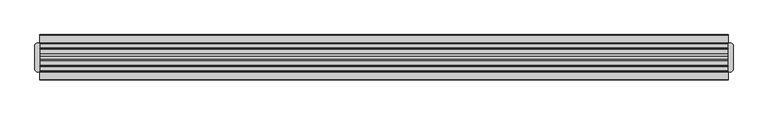
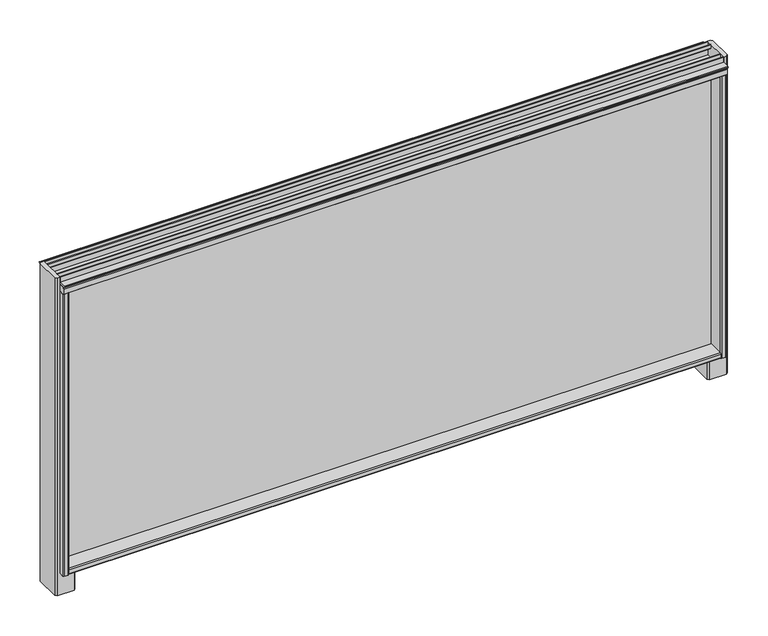
"""IFC4 building model written with IfcOpenShell, lengths in millimetres: furniture geometry."""

import ifcopenshell
import ifcopenshell.guid

model = None  # the IFC model being written
_history = None  # IfcOwnerHistory: only IFC2X3 demands one
_inside = {}  # id of a spatial element -> (the spatial element, [elements in it])
_under = {}  # id of a project, library or spatial element -> (it, [spatial elements below it])
_declared = {}  # id of a project -> (the project, [libraries it declares])
_typed = {}  # id of a type object -> (the type object, [elements of that type])
_made_of = {}  # id of a material, layer set ... -> (it, [elements and type objects made of it])


def new_model(schema):
    """Start an empty IFC model of exactly this schema.

    Asked for "IFC4X3", IfcOpenShell would pick the latest addendum, in which some entities
    have other attributes; the version numbers below select the first issue.
    IFC2X3 requires an IfcOwnerHistory on every rooted entity: one is made here for all.
    """
    global model, _history
    if schema == "IFC4X3":
        model = ifcopenshell.file(schema_version=(4, 3, 0, 0))
    else:
        model = ifcopenshell.file(schema=schema)
    _inside.clear()
    _under.clear()
    _declared.clear()
    _typed.clear()
    _made_of.clear()
    _history = None
    if model.schema == "IFC2X3":
        org = make("IfcOrganization", Name="unknown")
        user = make(
            "IfcPersonAndOrganization",
            ThePerson=make("IfcPerson", FamilyName="unknown"),
            TheOrganization=org,
        )
        app = make(
            "IfcApplication",
            ApplicationDeveloper=org,
            Version="unknown",
            ApplicationFullName="unknown",
            ApplicationIdentifier="unknown",
        )
        _history = make(
            "IfcOwnerHistory",
            OwningUser=user,
            OwningApplication=app,
            ChangeAction="ADDED",
            CreationDate=0,
        )
    return model


def make(cls, **values):
    """One entity of the class cls with the attributes given. An attribute that is None is left unset."""
    return model.create_entity(
        cls, **{name: value for name, value in values.items() if value is not None}
    )


def rooted(cls, **values):
    """An entity with a GlobalId (a new one), such as an element, a storey or a relation."""
    return make(cls, GlobalId=ifcopenshell.guid.new(), OwnerHistory=_history, **values)


def si_unit(unit_type, name, prefix=None):
    """IfcSIUnit, for example si_unit("LENGTHUNIT", "METRE", prefix="MILLI")."""
    return make("IfcSIUnit", UnitType=unit_type, Prefix=prefix, Name=name)


def assignment(units):
    """IfcUnitAssignment: the units of a project."""
    return None if units is None else make("IfcUnitAssignment", Units=units)


def point(xyz):
    """IfcCartesianPoint."""
    return None if xyz is None else make("IfcCartesianPoint", Coordinates=xyz)


def direction(xyz):
    """IfcDirection."""
    return None if xyz is None else make("IfcDirection", DirectionRatios=xyz)


def frame(location, z_axis=None, x_axis=None):
    """IfcAxis2Placement3D, a coordinate frame: its origin and axes. An axis left out is left unset."""
    return make(
        "IfcAxis2Placement3D",
        Location=point(location),
        Axis=direction(z_axis),
        RefDirection=direction(x_axis),
    )


def origin():
    """The frame at (0, 0, 0) with its axes left unset."""
    return frame((0.0, 0.0, 0.0))


def place(relative_to, where):
    """IfcLocalPlacement: puts the frame where relative to a parent placement (None: the world)."""
    return make(
        "IfcLocalPlacement", PlacementRelTo=relative_to, RelativePlacement=where
    )


def context(
    kind, dimensions, precision=None, world=None, true_north=None, identifier=None
):
    """IfcGeometricRepresentationContext, for example the 3D "Model" context."""
    return make(
        "IfcGeometricRepresentationContext",
        ContextIdentifier=identifier,
        ContextType=kind,
        CoordinateSpaceDimension=dimensions,
        Precision=precision,
        WorldCoordinateSystem=world,
        TrueNorth=true_north,
    )


def project(units=None, contexts=None):
    """IfcProject with its units and contexts."""
    return rooted(
        "IfcProject",
        Name="project",
        RepresentationContexts=contexts,
        UnitsInContext=assignment(units),
    )


def spatial(cls, under=None, at=None, **own):
    """A site, building, storey or space (cls), placed at a placement, below another one or the project."""
    s = rooted(cls, ObjectPlacement=at, **own)
    if under is not None:
        _under.setdefault(under.id(), (under, []))[1].append(s)
    return s


def polyline(points):
    """IfcPolyline through the points."""
    return make("IfcPolyline", Points=[point(p) for p in points])


def outline(outer, holes=None, kind="AREA"):
    """IfcArbitraryClosedProfileDef: a profile drawn as a closed curve; with holes, ...WithVoids."""
    if holes is None:
        return make("IfcArbitraryClosedProfileDef", ProfileType=kind, OuterCurve=outer)
    return make(
        "IfcArbitraryProfileDefWithVoids",
        ProfileType=kind,
        OuterCurve=outer,
        InnerCurves=holes,
    )


def extrude(swept, where, along, depth):
    """IfcExtrudedAreaSolid: the profile swept, set in the frame where, extruded along a direction by depth."""
    return make(
        "IfcExtrudedAreaSolid",
        SweptArea=swept,
        Position=where,
        ExtrudedDirection=direction(along),
        Depth=depth,
    )


def faces_of(points, faces, orient=None, outer=None):
    """IfcFace entities. A face is a list of loops; a loop is a list of indices into points, from 0.

    orient and outer hold one flag for each loop. By default every Orientation is true, the
    first loop of a face is its IfcFaceOuterBound and the others are IfcFaceBound.
    """
    made = []
    for i, loops in enumerate(faces):
        bounds = []
        for j, loop in enumerate(loops):
            is_outer = j == 0 if outer is None else outer[i][j]
            bounds.append(
                make(
                    "IfcFaceOuterBound" if is_outer else "IfcFaceBound",
                    Bound=make("IfcPolyLoop", Polygon=[points[k] for k in loop]),
                    Orientation=True if orient is None else orient[i][j],
                )
            )
        made.append(make("IfcFace", Bounds=bounds))
    return made


def faceted_brep(points, faces, orient=None, outer=None, voids=None):
    """IfcFacetedBrep: a solid bounded by flat faces; with voids (closed shells), ...WithVoids."""
    shared = [point(p) for p in points]
    hull = make("IfcClosedShell", CfsFaces=faces_of(shared, faces, orient, outer))
    if voids is None:
        return make("IfcFacetedBrep", Outer=hull)
    return make(
        "IfcFacetedBrepWithVoids",
        Outer=hull,
        Voids=[
            make(cls, CfsFaces=faces_of(shared, fs, o, b)) for cls, fs, o, b in voids
        ],
    )


def shape(context_of_items, identifier, shape_type, items):
    """IfcShapeRepresentation: the items that make up one representation, for example the "Body"."""
    return make(
        "IfcShapeRepresentation",
        ContextOfItems=context_of_items,
        RepresentationIdentifier=identifier,
        RepresentationType=shape_type,
        Items=items,
    )


def source(mapping_origin, context_of_items, identifier, shape_type, items):
    """IfcRepresentationMap: a shape defined once, which mapped items show again and again."""
    return make(
        "IfcRepresentationMap",
        MappingOrigin=mapping_origin,
        MappedRepresentation=shape(context_of_items, identifier, shape_type, items),
    )


def transform(
    local_origin,
    x_axis=None,
    y_axis=None,
    z_axis=None,
    scale=None,
    scale2=None,
    scale3=None,
    uniform=True,
):
    """IfcCartesianTransformationOperator3D, or its non-uniform kind. x_axis, y_axis, z_axis: its Axis1, 2, 3."""
    if uniform:
        return make(
            "IfcCartesianTransformationOperator3D",
            Axis1=direction(x_axis),
            Axis2=direction(y_axis),
            LocalOrigin=point(local_origin),
            Scale=scale,
            Axis3=direction(z_axis),
        )
    return make(
        "IfcCartesianTransformationOperator3DnonUniform",
        Axis1=direction(x_axis),
        Axis2=direction(y_axis),
        LocalOrigin=point(local_origin),
        Scale=scale,
        Axis3=direction(z_axis),
        Scale2=scale2,
        Scale3=scale3,
    )


def mapped(mapping_source, mapping_target):
    """IfcMappedItem: shows the shape of a source again, moved by a transform."""
    return make(
        "IfcMappedItem", MappingSource=mapping_source, MappingTarget=mapping_target
    )


def made_of(thing, what):
    """Note that an element or type object is made of a material, layer set ...; save() writes the relation."""
    if what is not None:
        _made_of.setdefault(what.id(), (what, []))[1].append(thing)
    return thing


def element(
    cls,
    number,
    at=None,
    inside=None,
    cuts=None,
    type_object=None,
    material=None,
    context=None,
    identifier="Body",
    shape_type=None,
    held_by="IfcProductDefinitionShape",
    body=None,
    shapes=None,
    **own,
):
    """One element of the class cls, such as IfcWall. Its Tag is "e" and its number.

    at: its placement. inside: the storey or other place that contains it. cuts: it is an
    opening in that element (IfcRelVoidsElement). A single representation is given by context,
    identifier, shape_type and body (its items); several are given by shapes. held_by: the class
    of the entity that holds the representations. save() writes the other relations.
    """
    e = rooted(cls, Tag="e%d" % number, ObjectPlacement=at, **own)
    if body is not None:
        shapes = [shape(context, identifier, shape_type, body)]
    if shapes is not None:
        e.Representation = make(held_by, Representations=shapes)
    if inside is not None:
        _inside.setdefault(inside.id(), (inside, []))[1].append(e)
    if cuts is not None:
        rooted(
            "IfcRelVoidsElement", RelatingBuildingElement=cuts, RelatedOpeningElement=e
        )
    if type_object is not None:
        _typed.setdefault(type_object.id(), (type_object, []))[1].append(e)
    return made_of(e, material)


def aggregate(whole, parts):
    """IfcRelAggregates: a whole, such as a stair, and the parts it consists of."""
    return rooted("IfcRelAggregates", RelatingObject=whole, RelatedObjects=parts)


def save(model, path):
    """Write the relations noted so far, then the file.

    IfcRelAggregates (storeys below a building ...), IfcRelContainedInSpatialStructure (elements
    in a storey), IfcRelDefinesByType, IfcRelAssociatesMaterial and IfcRelDeclares: one each for
    every whole, place, type object, material and project.
    """
    for whole, parts in _under.values():
        aggregate(whole, parts)
    for where, things in _inside.values():
        rooted(
            "IfcRelContainedInSpatialStructure",
            RelatedElements=things,
            RelatingStructure=where,
        )
    for kind, things in _typed.values():
        rooted("IfcRelDefinesByType", RelatedObjects=things, RelatingType=kind)
    for what, things in _made_of.values():
        rooted("IfcRelAssociatesMaterial", RelatedObjects=things, RelatingMaterial=what)
    for by, libraries in _declared.values():
        rooted("IfcRelDeclares", RelatingContext=by, RelatedDefinitions=libraries)
    model.write(path)


def furniture_85aad2e1(model_context):
    return source(origin(), model_context, "Body", "SolidModel", [
        extrude(outline(polyline([(-27.0409102, 1596.1763357), (-40.5028792, 1596.1763357), (-41.2648967, 1598.5892698), (-40.5028792, 1599.3512873), (-27.0409102, 1599.3512873), (-27.0409102, 1596.1763357)])), frame((-840.427047, 0.0, 0.0), z_axis=(1.0, 0.0, 0.0), x_axis=(0.0, 1.0, 0.0)), (0.0, 0.0, 1.0), 1203.0787647),
        extrude(outline(polyline([(23.7590898, 1596.1763357), (23.7590898, 1599.3512873), (37.2212041, 1599.3512873), (37.9830762, 1598.5892698), (37.2212041, 1596.1763357), (23.7590898, 1596.1763357)])), frame((-840.427047, 0.0, 0.0), z_axis=(1.0, 0.0, 0.0), x_axis=(0.0, 1.0, 0.0)), (0.0, 0.0, 1.0), 1203.0787647),
        faceted_brep([(351.7297099, -35.7961223, 1052.3115191), (351.7297099, -37.5819335, 1050.5335752), (351.7297099, -37.5819335, 1043.1676004), (351.7297099, -35.7961223, 1041.4), (351.7297099, 32.5143503, 1041.4), (351.7297099, 34.300113, 1043.1676004), (351.7297099, 34.300113, 1050.5335752), (351.7297099, 32.5143503, 1052.3115191), (351.7297099, 4.2011266, 1052.3115191), (351.7297099, 2.1691285, 1050.5335752), (351.7297099, 2.1691285, 1045.3264803), (351.7297099, 0.3911847, 1043.5485365), (351.7297099, -3.6728114, 1043.5485365), (351.7297099, -5.4509005, 1045.3264803), (351.7297099, -5.4509005, 1050.5335752), (351.7297099, -7.4828986, 1052.3115191), (-829.4973172, -35.7961223, 1052.3115191), (-829.4973172, -7.4828986, 1052.3115191), (-829.4973172, -5.4509005, 1050.5335752), (-829.4973172, -5.4509005, 1045.3264803), (-829.4973172, -3.6729567, 1043.5485365), (-829.4973172, 0.3913301, 1043.5485365), (-829.4973172, 2.1691285, 1045.3264803), (-829.4973172, 2.1691285, 1050.5335752), (-829.4973172, 4.2011266, 1052.3115191), (-829.4973172, 32.5143503, 1052.3115191), (-829.4973172, 34.300113, 1050.5335752), (-829.4973172, 34.300113, 1043.1676004), (-829.4973172, 32.5143503, 1041.4), (-829.4973172, -35.7961223, 1041.4), (-829.4973172, -37.5819335, 1043.1676004), (-829.4973172, -37.5819335, 1050.5335752)], [[[0, 1, 2, 3, 4, 5, 6, 7, 8, 9, 10, 11, 12, 13, 14, 15]], [[16, 17, 18, 19, 20, 21, 22, 23, 24, 25, 26, 27, 28, 29, 30, 31]], [[1, 0, 16, 31]], [[2, 1, 31, 30]], [[3, 2, 30, 29]], [[4, 3, 29, 28]], [[5, 4, 28, 27]], [[6, 5, 27, 26]], [[7, 6, 26, 25]], [[8, 7, 25, 24]], [[9, 8, 24, 23]], [[10, 9, 23, 22]], [[11, 10, 22, 21]], [[12, 11, 21, 20]], [[13, 12, 20, 19]], [[14, 13, 19, 18]], [[15, 14, 18, 17]], [[0, 15, 17, 16]]]),
        faceted_brep([(-814.7653676, -27.0409102, 1041.4), (-811.5902707, -23.8659587, 1041.4), (-811.5902707, 20.5841382, 1041.4), (-814.7653676, 23.7590898, 1041.4), (-829.4973172, 23.7590898, 1041.4), (-829.4973172, 3.9548342, 1041.4), (-831.2751157, 2.1691285, 1041.4), (-836.482356, 2.1691285, 1041.4), (-838.2601545, 0.3913301, 1041.4), (-838.2601545, -3.6728114, 1041.4), (-836.4820653, -5.4509005, 1041.4), (-831.2751157, -5.4509005, 1041.4), (-829.4973172, -7.2366547, 1041.4), (-829.4973172, -27.0409102, 1041.4), (-845.3007966, 23.7590898, 999.9265625), (-814.7653676, 23.7590898, 999.9265625), (-811.5902707, 20.5841382, 999.9265625), (-811.5902707, -23.8659587, 999.9265625), (-814.7653676, -27.0409102, 999.9265625), (-845.3007966, -27.0409102, 999.9265625), (-848.4836583, -23.8659587, 999.9265625), (-848.4836583, 20.5841382, 999.9265625), (-848.4836583, 20.5841382, 1608.534375), (-845.3007966, 23.7590898, 1608.534375), (-848.4836583, -23.8659587, 1608.534375), (-845.3007241, -27.0408375, 1608.534375), (-840.427047, -27.0409102, 1041.4), (-840.427047, -27.0409102, 1581.7237295), (-840.427047, -27.0409102, 1608.534375), (-840.427047, 23.7590898, 1608.534375), (-840.427047, 23.7590898, 1581.7237295), (-840.427047, 23.7590898, 1041.4), (-838.6412359, 34.300113, 1581.7237295), (-840.427047, 32.5143503, 1581.7237295), (-840.427047, -35.7961223, 1581.7237295), (-838.6412359, -37.5819335, 1581.7237295), (-831.2751157, -37.5819335, 1581.7237295), (-829.4973172, -35.7961223, 1581.7237295), (-829.4973172, -7.2366547, 1581.7237295), (-831.2751157, -5.4509005, 1581.7237295), (-836.482356, -5.4509005, 1581.7237295), (-838.2601545, -3.6728114, 1581.7237295), (-838.2601545, 0.3913301, 1581.7237295), (-836.482356, 2.1691285, 1581.7237295), (-831.2751157, 2.1691285, 1581.7237295), (-829.4973172, 3.9548342, 1581.7237295), (-829.4973172, 32.5143503, 1581.7237295), (-831.2751157, 34.300113, 1581.7237295), (-838.6412359, 34.300113, 1041.4), (-831.2751157, 34.300113, 1041.4), (-829.4973172, 32.5143503, 1041.4), (-840.427047, 32.5143503, 1041.4), (-829.4973172, -35.7961223, 1041.4), (-831.2751157, -37.5819335, 1041.4), (-838.6412359, -37.5819335, 1041.4), (-840.427047, -35.7961223, 1041.4)], [[[0, 1, 2, 3, 4, 5, 6, 7, 8, 9, 10, 11, 12, 13]], [[14, 15, 16, 17, 18, 19, 20, 21]], [[14, 21, 22, 23]], [[21, 20, 24, 22]], [[20, 19, 25, 24]], [[19, 18, 0, 13, 26, 27, 28, 25]], [[1, 0, 18, 17]], [[2, 1, 17, 16]], [[3, 2, 16, 15]], [[15, 14, 23, 29, 30, 31, 4, 3]], [[23, 22, 24, 25, 28, 29]], [[29, 28, 27, 30]], [[32, 33, 30, 27, 34, 35, 36, 37, 38, 39, 40, 41, 42, 43, 44, 45, 46, 47]], [[48, 49, 50, 4, 31, 51]], [[52, 53, 54, 55, 26, 13]], [[33, 32, 48, 51]], [[33, 51, 31, 30]], [[55, 34, 27, 26]], [[35, 34, 55, 54]], [[36, 35, 54, 53]], [[37, 36, 53, 52]], [[46, 45, 5, 4, 50]], [[47, 46, 50, 49]], [[32, 47, 49, 48]], [[38, 37, 52, 13, 12]], [[39, 38, 12, 11]], [[40, 39, 11, 10]], [[41, 40, 10, 9]], [[42, 41, 9, 8]], [[43, 42, 8, 7]], [[44, 43, 7, 6]], [[45, 44, 6, 5]]]),
        faceted_brep([(336.9977603, 23.7590898, 1041.4), (333.8226634, 20.5841382, 1041.4), (333.8226634, -23.8659587, 1041.4), (336.9977603, -27.0409102, 1041.4), (351.7297099, -27.0409102, 1041.4), (351.7297099, -7.2366547, 1041.4), (353.507799, -5.4509005, 1041.4), (358.7147486, -5.4429844, 1041.4), (360.4928378, -3.6728114, 1041.4), (360.4972137, 0.3913301, 1041.4), (358.7147486, 2.1691285, 1041.4), (353.507799, 2.1770447, 1041.4), (351.7297099, 3.9548342, 1041.4), (351.7297099, 23.7590898, 1041.4), (370.7163417, 20.5841382, 999.9265625), (370.7163417, -23.8659587, 999.9265625), (367.5412448, -27.0409102, 999.9265625), (336.9977603, -27.0409102, 999.9265625), (333.8226634, -23.8659587, 999.9265625), (333.8226634, 20.5841382, 999.9265625), (336.9977603, 23.7590898, 999.9265625), (367.5412448, 23.7590898, 999.9265625), (367.5412448, 23.7590898, 1608.534375), (362.6517176, 23.7590898, 1608.534375), (362.6517176, -27.0408618, 1608.534375), (367.5412448, -27.0408618, 1608.534375), (370.7163417, -23.8657649, 1608.534375), (370.7163417, 20.5839929, 1608.534375), (362.6517176, 23.7590898, 1581.7237295), (362.6517176, -27.0408618, 1581.7237295), (353.507799, 34.300113, 1581.7237295), (351.7297099, 32.5143503, 1581.7237295), (351.7297099, 3.9548342, 1581.7237295), (353.507799, 2.1691285, 1581.7237295), (358.7147486, 2.1770447, 1581.7237295), (360.4928378, 0.3913301, 1581.7237295), (360.4972137, -3.6728114, 1581.7237295), (358.7147486, -5.4509005, 1581.7237295), (353.507799, -5.4429844, 1581.7237295), (351.7297099, -7.2366547, 1581.7237295), (351.7297099, -35.7961223, 1581.7237295), (353.507799, -37.5819335, 1581.7237295), (360.8736285, -37.5819335, 1581.7237295), (362.6517176, -35.7961223, 1581.7237295), (362.6517176, 32.5143503, 1581.7237295), (360.8736285, 34.300113, 1581.7237295), (353.507799, 34.300113, 1041.4), (360.8736285, 34.300113, 1041.4), (362.6517176, 32.5143503, 1041.4), (362.6517176, 23.7590898, 1041.4), (351.7297099, 32.5143503, 1041.4), (362.6517176, -35.7961223, 1041.4), (360.8736285, -37.5819335, 1041.4), (353.507799, -37.5819335, 1041.4), (351.7297099, -35.7961223, 1041.4), (362.6517176, -27.0409102, 1041.4)], [[[0, 1, 2, 3, 4, 5, 6, 7, 8, 9, 10, 11, 12, 13]], [[14, 15, 16, 17, 18, 19, 20, 21]], [[22, 23, 24, 25, 26, 27]], [[24, 23, 28, 29]], [[30, 31, 32, 33, 34, 35, 36, 37, 38, 39, 40, 41, 42, 43, 29, 28, 44, 45]], [[46, 47, 48, 49, 13, 50]], [[51, 52, 53, 54, 4, 55]], [[31, 30, 46, 50]], [[41, 40, 54, 53]], [[42, 41, 53, 52]], [[43, 42, 52, 51]], [[43, 51, 55, 29]], [[48, 44, 28, 49]], [[45, 44, 48, 47]], [[30, 45, 47, 46]], [[32, 31, 50, 13, 12]], [[33, 32, 12, 11]], [[34, 33, 11, 10]], [[35, 34, 10, 9]], [[36, 35, 9, 8]], [[37, 36, 8, 7]], [[38, 37, 7, 6]], [[39, 38, 6, 5]], [[40, 39, 5, 4, 54]], [[14, 21, 22, 27]], [[21, 20, 0, 13, 49, 28, 23, 22]], [[1, 0, 20, 19]], [[2, 1, 19, 18]], [[3, 2, 18, 17]], [[17, 16, 25, 24, 29, 55, 4, 3]], [[16, 15, 26, 25]], [[15, 14, 27, 26]]]),
        extrude(outline(polyline([(-27.0409102, 1608.5355578), (-26.253531, 1609.3231153), (-25.4661517, 1608.536049), (-25.4661517, 1601.8913939), (-17.693661, 1601.8913939), (-17.693661, 1608.5425612), (-16.8647414, 1609.326255), (-16.1189025, 1608.5239564), (-16.1189025, 1601.3832853), (-17.693661, 1599.8593958), (-25.4661517, 1599.8593958), (-25.4661517, 1583.7557276), (-7.4828986, 1583.7557276), (-7.4828986, 1589.4363644), (-4.4348288, 1592.5187101), (1.1532022, 1592.5187101), (4.2011266, 1589.4365097), (4.2011266, 1583.7557276), (22.1843313, 1583.7557276), (22.1843313, 1599.8593958), (14.412276, 1599.8593958), (12.837082, 1601.3832853), (12.837082, 1608.5344025), (13.624534, 1609.3231153), (14.4119859, 1608.5343702), (14.4119859, 1601.8913939), (22.1843313, 1601.8913939), (22.1843313, 1608.536049), (22.9717105, 1609.327929), (23.7590898, 1608.534375), (23.7590898, 1594.4236811), (33.5843009, 1594.4236811), (35.1892061, 1592.8187759), (35.1892061, 1583.2477644), (33.6651712, 1581.7237295), (3.6931634, 1581.7237295), (2.1691285, 1583.2477644), (2.1691285, 1590.4422865), (-5.4509005, 1590.4422865), (-5.4509005, 1583.2477644), (-6.9749354, 1581.7237295), (-36.9467978, 1581.7237295), (-38.4708327, 1583.2477644), (-38.4708327, 1592.8996462), (-36.9467978, 1594.4236811), (-27.0409102, 1594.4236811), (-27.0409102, 1608.5355578)])), frame((-840.427047, 0.0, 0.0), z_axis=(1.0, 0.0, 0.0), x_axis=(0.0, 1.0, 0.0)), (0.0, 0.0, 1.0), 1203.0787647),
        extrude(outline(polyline([(354.2063029, -0.0534102), (354.2063029, -3.2284102), (-831.9736196, -3.2284102), (-831.9736196, -0.0534102), (354.2063029, -0.0534102)])), frame((0.0, 0.0, 1043.5485365), z_axis=(0.0, 0.0, 1.0), x_axis=(1.0, 0.0, 0.0)), (0.0, 0.0, 1.0), 546.89375),
    ])


if __name__ == "__main__":
    model = new_model("IFC4")
    model_context = context("Model", 3, world=origin())
    ifc_project = project(units=[si_unit("LENGTHUNIT", "METRE", prefix="MILLI")], contexts=[model_context])
    site = spatial("IfcSite", under=ifc_project)
    building = spatial("IfcBuilding", under=site)
    placement = place(None, origin())
    furniture_shape = furniture_85aad2e1(model_context)
    element("IfcFurniture", 1, at=placement, inside=building, context=model_context, shape_type="MappedRepresentation", body=[
        mapped(furniture_shape, transform((0.0, 0.0, 0.0), x_axis=(1.0, 0.0, 0.0), y_axis=(0.0, 1.0, 0.0), z_axis=(0.0, 0.0, 1.0))),
    ])
    save(model, "model.ifc")
